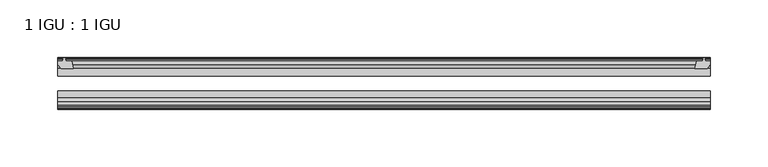
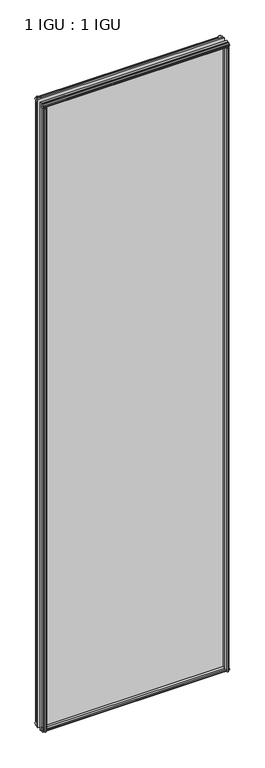
"""IFC4 building model written with IfcOpenShell, lengths in millimetres: plate geometry, 1 IGU : 1 IGU."""

import ifcopenshell
import ifcopenshell.guid

model = None  # the IFC model being written
_history = None  # IfcOwnerHistory: only IFC2X3 demands one
_inside = {}  # id of a spatial element -> (the spatial element, [elements in it])
_under = {}  # id of a project, library or spatial element -> (it, [spatial elements below it])
_declared = {}  # id of a project -> (the project, [libraries it declares])
_typed = {}  # id of a type object -> (the type object, [elements of that type])
_made_of = {}  # id of a material, layer set ... -> (it, [elements and type objects made of it])


def new_model(schema):
    """Start an empty IFC model of exactly this schema.

    Asked for "IFC4X3", IfcOpenShell would pick the latest addendum, in which some entities
    have other attributes; the version numbers below select the first issue.
    IFC2X3 requires an IfcOwnerHistory on every rooted entity: one is made here for all.
    """
    global model, _history
    if schema == "IFC4X3":
        model = ifcopenshell.file(schema_version=(4, 3, 0, 0))
    else:
        model = ifcopenshell.file(schema=schema)
    _inside.clear()
    _under.clear()
    _declared.clear()
    _typed.clear()
    _made_of.clear()
    _history = None
    if model.schema == "IFC2X3":
        org = make("IfcOrganization", Name="unknown")
        user = make(
            "IfcPersonAndOrganization",
            ThePerson=make("IfcPerson", FamilyName="unknown"),
            TheOrganization=org,
        )
        app = make(
            "IfcApplication",
            ApplicationDeveloper=org,
            Version="unknown",
            ApplicationFullName="unknown",
            ApplicationIdentifier="unknown",
        )
        _history = make(
            "IfcOwnerHistory",
            OwningUser=user,
            OwningApplication=app,
            ChangeAction="ADDED",
            CreationDate=0,
        )
    return model


def make(cls, **values):
    """One entity of the class cls with the attributes given. An attribute that is None is left unset."""
    return model.create_entity(
        cls, **{name: value for name, value in values.items() if value is not None}
    )


def rooted(cls, **values):
    """An entity with a GlobalId (a new one), such as an element, a storey or a relation."""
    return make(cls, GlobalId=ifcopenshell.guid.new(), OwnerHistory=_history, **values)


def si_unit(unit_type, name, prefix=None):
    """IfcSIUnit, for example si_unit("LENGTHUNIT", "METRE", prefix="MILLI")."""
    return make("IfcSIUnit", UnitType=unit_type, Prefix=prefix, Name=name)


def assignment(units):
    """IfcUnitAssignment: the units of a project."""
    return None if units is None else make("IfcUnitAssignment", Units=units)


def point(xyz):
    """IfcCartesianPoint."""
    return None if xyz is None else make("IfcCartesianPoint", Coordinates=xyz)


def direction(xyz):
    """IfcDirection."""
    return None if xyz is None else make("IfcDirection", DirectionRatios=xyz)


def frame(location, z_axis=None, x_axis=None):
    """IfcAxis2Placement3D, a coordinate frame: its origin and axes. An axis left out is left unset."""
    return make(
        "IfcAxis2Placement3D",
        Location=point(location),
        Axis=direction(z_axis),
        RefDirection=direction(x_axis),
    )


def origin():
    """The frame at (0, 0, 0) with its axes left unset."""
    return frame((0.0, 0.0, 0.0))


def place(relative_to, where):
    """IfcLocalPlacement: puts the frame where relative to a parent placement (None: the world)."""
    return make(
        "IfcLocalPlacement", PlacementRelTo=relative_to, RelativePlacement=where
    )


def context(
    kind, dimensions, precision=None, world=None, true_north=None, identifier=None
):
    """IfcGeometricRepresentationContext, for example the 3D "Model" context."""
    return make(
        "IfcGeometricRepresentationContext",
        ContextIdentifier=identifier,
        ContextType=kind,
        CoordinateSpaceDimension=dimensions,
        Precision=precision,
        WorldCoordinateSystem=world,
        TrueNorth=true_north,
    )


def project(units=None, contexts=None):
    """IfcProject with its units and contexts."""
    return rooted(
        "IfcProject",
        Name="project",
        RepresentationContexts=contexts,
        UnitsInContext=assignment(units),
    )


def spatial(cls, under=None, at=None, **own):
    """A site, building, storey or space (cls), placed at a placement, below another one or the project."""
    s = rooted(cls, ObjectPlacement=at, **own)
    if under is not None:
        _under.setdefault(under.id(), (under, []))[1].append(s)
    return s


def polyline(points):
    """IfcPolyline through the points."""
    return make("IfcPolyline", Points=[point(p) for p in points])


def outline(outer, holes=None, kind="AREA"):
    """IfcArbitraryClosedProfileDef: a profile drawn as a closed curve; with holes, ...WithVoids."""
    if holes is None:
        return make("IfcArbitraryClosedProfileDef", ProfileType=kind, OuterCurve=outer)
    return make(
        "IfcArbitraryProfileDefWithVoids",
        ProfileType=kind,
        OuterCurve=outer,
        InnerCurves=holes,
    )


def extrude(swept, where, along, depth):
    """IfcExtrudedAreaSolid: the profile swept, set in the frame where, extruded along a direction by depth."""
    return make(
        "IfcExtrudedAreaSolid",
        SweptArea=swept,
        Position=where,
        ExtrudedDirection=direction(along),
        Depth=depth,
    )


def shape(context_of_items, identifier, shape_type, items):
    """IfcShapeRepresentation: the items that make up one representation, for example the "Body"."""
    return make(
        "IfcShapeRepresentation",
        ContextOfItems=context_of_items,
        RepresentationIdentifier=identifier,
        RepresentationType=shape_type,
        Items=items,
    )


def source(mapping_origin, context_of_items, identifier, shape_type, items):
    """IfcRepresentationMap: a shape defined once, which mapped items show again and again."""
    return make(
        "IfcRepresentationMap",
        MappingOrigin=mapping_origin,
        MappedRepresentation=shape(context_of_items, identifier, shape_type, items),
    )


def transform(
    local_origin,
    x_axis=None,
    y_axis=None,
    z_axis=None,
    scale=None,
    scale2=None,
    scale3=None,
    uniform=True,
):
    """IfcCartesianTransformationOperator3D, or its non-uniform kind. x_axis, y_axis, z_axis: its Axis1, 2, 3."""
    if uniform:
        return make(
            "IfcCartesianTransformationOperator3D",
            Axis1=direction(x_axis),
            Axis2=direction(y_axis),
            LocalOrigin=point(local_origin),
            Scale=scale,
            Axis3=direction(z_axis),
        )
    return make(
        "IfcCartesianTransformationOperator3DnonUniform",
        Axis1=direction(x_axis),
        Axis2=direction(y_axis),
        LocalOrigin=point(local_origin),
        Scale=scale,
        Axis3=direction(z_axis),
        Scale2=scale2,
        Scale3=scale3,
    )


def mapped(mapping_source, mapping_target):
    """IfcMappedItem: shows the shape of a source again, moved by a transform."""
    return make(
        "IfcMappedItem", MappingSource=mapping_source, MappingTarget=mapping_target
    )


def made_of(thing, what):
    """Note that an element or type object is made of a material, layer set ...; save() writes the relation."""
    if what is not None:
        _made_of.setdefault(what.id(), (what, []))[1].append(thing)
    return thing


def element(
    cls,
    number,
    at=None,
    inside=None,
    cuts=None,
    type_object=None,
    material=None,
    context=None,
    identifier="Body",
    shape_type=None,
    held_by="IfcProductDefinitionShape",
    body=None,
    shapes=None,
    **own,
):
    """One element of the class cls, such as IfcWall. Its Tag is "e" and its number.

    at: its placement. inside: the storey or other place that contains it. cuts: it is an
    opening in that element (IfcRelVoidsElement). A single representation is given by context,
    identifier, shape_type and body (its items); several are given by shapes. held_by: the class
    of the entity that holds the representations. save() writes the other relations.
    """
    e = rooted(cls, Tag="e%d" % number, ObjectPlacement=at, **own)
    if body is not None:
        shapes = [shape(context, identifier, shape_type, body)]
    if shapes is not None:
        e.Representation = make(held_by, Representations=shapes)
    if inside is not None:
        _inside.setdefault(inside.id(), (inside, []))[1].append(e)
    if cuts is not None:
        rooted(
            "IfcRelVoidsElement", RelatingBuildingElement=cuts, RelatedOpeningElement=e
        )
    if type_object is not None:
        _typed.setdefault(type_object.id(), (type_object, []))[1].append(e)
    return made_of(e, material)


def aggregate(whole, parts):
    """IfcRelAggregates: a whole, such as a stair, and the parts it consists of."""
    return rooted("IfcRelAggregates", RelatingObject=whole, RelatedObjects=parts)


def save(model, path):
    """Write the relations noted so far, then the file.

    IfcRelAggregates (storeys below a building ...), IfcRelContainedInSpatialStructure (elements
    in a storey), IfcRelDefinesByType, IfcRelAssociatesMaterial and IfcRelDeclares: one each for
    every whole, place, type object, material and project.
    """
    for whole, parts in _under.values():
        aggregate(whole, parts)
    for where, things in _inside.values():
        rooted(
            "IfcRelContainedInSpatialStructure",
            RelatedElements=things,
            RelatingStructure=where,
        )
    for kind, things in _typed.values():
        rooted("IfcRelDefinesByType", RelatedObjects=things, RelatingType=kind)
    for what, things in _made_of.values():
        rooted("IfcRelAssociatesMaterial", RelatedObjects=things, RelatingMaterial=what)
    for by, libraries in _declared.values():
        rooted("IfcRelDeclares", RelatingContext=by, RelatedDefinitions=libraries)
    model.write(path)


def plate_1_igu_1_igu_17790849(model_context):
    return source(origin(), model_context, "Body", "SweptSolid", [
        extrude(outline(polyline([(258.3700982, -10.4746158), (260.5476272, -9.7670938), (262.7251563, -10.4746158), (262.7251563, -11.27583), (261.3096272, -10.8158968), (261.6906272, -13.1960938), (266.1356272, -13.1960938), (266.1356272, -16.1424938), (263.3012851, -19.5460938), (252.4799092, -19.5460938), (254.1976272, -13.1960938), (259.4046272, -13.1960938), (259.7856272, -10.8158968), (258.3700982, -11.27583), (258.3700982, -10.4746158)])), frame((0.0, 0.0, -12.4587), z_axis=(0.0, 0.0, 1.0), x_axis=(1.0, 0.0, 0.0)), (0.0, 0.0, 1.0), 2018.8173999),
        extrude(outline(polyline([(-295.7702835, -9.7670937), (-293.5927544, -10.4746158), (-293.5927544, -11.27583), (-295.0082835, -10.8158968), (-294.6272835, -13.1960937), (-289.4202835, -13.1960937), (-287.7025654, -19.5460937), (-298.5239413, -19.5460937), (-301.3582835, -16.1424937), (-301.3582835, -13.1960937), (-296.9132835, -13.1960937), (-296.5322835, -10.8158968), (-297.9478125, -11.27583), (-297.9478125, -10.4746158), (-295.7702835, -9.7670937)])), frame((0.0, 0.0, -12.4587), z_axis=(0.0, 0.0, 1.0), x_axis=(1.0, 0.0, 0.0)), (0.0, 0.0, 1.0), 2018.8173999),
        extrude(outline(polyline([(251.9625111, -44.9460938), (262.783887, -44.9460938), (265.6182292, -48.3496938), (265.6182292, -51.2960938), (261.1732292, -51.2960938), (260.7922292, -53.6762907), (262.2077583, -53.2163575), (262.2077583, -54.0175717), (260.0302292, -54.7250938), (257.8527002, -54.0175717), (257.8527002, -53.2163575), (259.2682292, -53.6762907), (258.8872292, -51.2960938), (253.6802292, -51.2960938), (251.9625111, -44.9460938)])), frame((0.0, 0.0, -12.4587), z_axis=(0.0, 0.0, 1.0), x_axis=(1.0, 0.0, 0.0)), (0.0, 0.0, 1.0), 2006.1173999),
        extrude(outline(polyline([(-287.1818654, -44.9460937), (-288.8995835, -51.2960937), (-294.1065835, -51.2960937), (-294.4875835, -53.6762907), (-293.0720544, -53.2163575), (-293.0720544, -54.0175717), (-295.2495835, -54.7250937), (-297.4271125, -54.0175717), (-297.4271125, -53.2163575), (-296.0115835, -53.6762907), (-296.3925835, -51.2960937), (-300.8375835, -51.2960937), (-300.8375835, -48.3496937), (-298.0032413, -44.9460937), (-287.1818654, -44.9460937)])), frame((0.0, 0.0, -12.4587), z_axis=(0.0, 0.0, 1.0), x_axis=(1.0, 0.0, 0.0)), (0.0, 0.0, 1.0), 2006.1173999),
        extrude(outline(polyline([(-10.4746158, -4.6931709), (-9.7670937, -6.8707), (-10.4746158, -9.0482291), (-11.27583, -9.0482291), (-10.8158968, -7.6327), (-13.1960937, -8.0137), (-13.1960937, -12.4587), (-16.1424937, -12.4587), (-19.5460937, -9.6243578), (-19.5460937, 1.1970181), (-13.1960937, -0.5207), (-13.1960937, -5.7277), (-10.8158968, -6.1087), (-11.27583, -4.6931709), (-10.4746158, -4.6931709)])), frame((-301.5995835, 0.0, 0.0), z_axis=(1.0, 0.0, 0.0), x_axis=(0.0, 1.0, 0.0)), (0.0, 0.0, 1.0), 567.7780732),
        extrude(outline(polyline([(-44.9460937, 1.7177181), (-44.9460937, -9.1036578), (-48.3496937, -11.938), (-51.2960937, -11.938), (-51.2960937, -7.493), (-53.6762907, -7.112), (-53.2163575, -8.5275291), (-54.0175717, -8.5275291), (-54.7250937, -6.35), (-54.0175717, -4.1724709), (-53.2163575, -4.1724709), (-53.6762907, -5.588), (-51.2960937, -5.207), (-51.2960937, 0.0), (-44.9460937, 1.7177181)])), frame((-301.5995835, 0.0, 0.0), z_axis=(1.0, 0.0, 0.0), x_axis=(0.0, 1.0, 0.0)), (0.0, 0.0, 1.0), 567.7780732),
        extrude(outline(polyline([(-10.8158968, 2001.5326999), (-11.27583, 2002.948229), (-10.4746158, 2002.948229), (-9.7670937, 2000.7706999), (-10.4746158, 1998.5931709), (-11.27583, 1998.5931709), (-10.8158968, 2000.0086999), (-13.1960937, 1999.6276999), (-13.1960937, 1994.4206999), (-19.5460938, 1992.7029819), (-19.5460938, 2003.5243578), (-16.1424937, 2006.3586999), (-13.1960937, 2006.3586999), (-13.1960937, 2001.9136999), (-10.8158968, 2001.5326999)])), frame((-301.5995835, 0.0, 0.0), z_axis=(1.0, 0.0, 0.0), x_axis=(0.0, 1.0, 0.0)), (0.0, 0.0, 1.0), 567.7780732),
        extrude(outline(polyline([(-51.2960937, 2005.8379999), (-48.3496937, 2005.8379999), (-44.9460938, 2003.0036578), (-44.9460938, 1992.1822819), (-51.2960937, 1993.8999999), (-51.2960937, 1999.1069999), (-53.6762907, 1999.4879999), (-53.2163575, 1998.0724709), (-54.0175717, 1998.0724709), (-54.7250937, 2000.2499999), (-54.0175717, 2002.427529), (-53.2163575, 2002.427529), (-53.6762907, 2001.0119999), (-51.2960937, 2001.3929999), (-51.2960937, 2005.8379999)])), frame((-301.5995835, 0.0, 0.0), z_axis=(1.0, 0.0, 0.0), x_axis=(0.0, 1.0, 0.0)), (0.0, 0.0, 1.0), 567.7780732),
        extrude(outline(polyline([(-301.5995835, -38.9186738), (266.1784897, -38.9186738), (266.1784897, -44.9460937), (-301.5995835, -44.9460937), (-301.5995835, -38.9186738)])), frame((0.0, 0.0, -12.7), z_axis=(0.0, 0.0, 1.0), x_axis=(1.0, 0.0, 0.0)), (0.0, 0.0, 1.0), 2019.2999999),
        extrude(outline(polyline([(-301.5995835, -19.5460937), (266.1784897, -19.5460937), (266.1784897, -25.8960938), (-301.5995835, -25.8960938), (-301.5995835, -19.5460937)])), frame((0.0, 0.0, -12.7), z_axis=(0.0, 0.0, 1.0), x_axis=(1.0, 0.0, 0.0)), (0.0, 0.0, 1.0), 2019.2999999),
    ])


if __name__ == "__main__":
    model = new_model("IFC4")
    model_context = context("Model", 3, world=origin())
    ifc_project = project(units=[si_unit("LENGTHUNIT", "METRE", prefix="MILLI")], contexts=[model_context])
    site = spatial("IfcSite", under=ifc_project)
    building = spatial("IfcBuilding", under=site)
    placement = place(None, origin())
    plate_1_igu_1_igu_shape = plate_1_igu_1_igu_17790849(model_context)
    element("IfcPlate", 1, ObjectType="1 IGU : 1 IGU", at=placement, inside=building, context=model_context, shape_type="MappedRepresentation", body=[
        mapped(plate_1_igu_1_igu_shape, transform((0.0, 0.0, 0.0), x_axis=(1.0, 0.0, 0.0), y_axis=(0.0, 1.0, 0.0), z_axis=(0.0, 0.0, 1.0))),
    ])
    save(model, "model.ifc")
